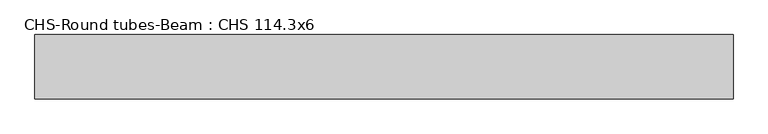
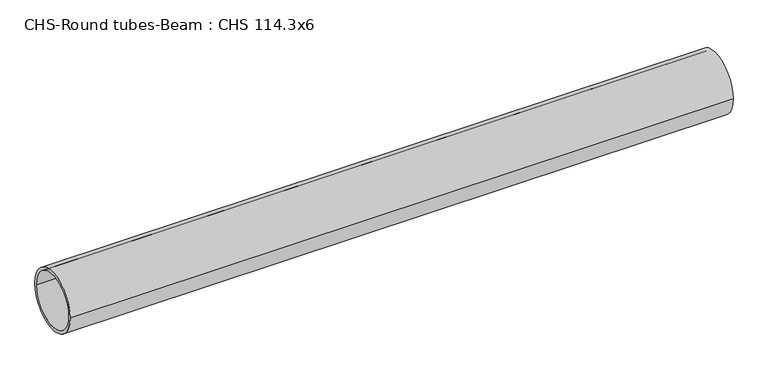
"""IFC4 building model written with IfcOpenShell, lengths in millimetres: beam geometry, CHS-Round tubes-Beam : CHS 114.3x6."""

from ifc_helpers import new_model, si_unit, point, frame, origin, origin_2d, place, context, project, spatial, circle_curve, trimmed, segment, composite_curve, outline, extrude, source, transform, mapped, element, save


def chs_round_tubes_beam_chs_114_3x6_330454a3(model_context):
    return source(origin(), model_context, "Body", "SweptSolid", [
        extrude(outline(composite_curve([segment(trimmed(circle_curve(origin_2d(), 57.15), [point((57.15, 0.0))], [point((-57.15, 0.0))], False, "CARTESIAN"), True, "CONTINUOUS"), segment(trimmed(circle_curve(origin_2d(), 57.15), [point((-57.15, 0.0))], [point((57.15, 0.0))], False, "CARTESIAN"), True, "CONTINUOUS")], self_intersect=False), holes=[composite_curve([segment(trimmed(circle_curve(origin_2d(), 51.15), [point((51.15, 0.0))], [point((-51.15, 0.0))], True, "CARTESIAN"), True, "CONTINUOUS"), segment(trimmed(circle_curve(origin_2d(), 51.15), [point((-51.15, 0.0))], [point((51.15, 0.0))], True, "CARTESIAN"), True, "CONTINUOUS")], self_intersect=False)]), frame((-617.2001931, 0.0, 0.0), z_axis=(1.0, 0.0, 0.0), x_axis=(0.0, 1.0, 0.0)), (0.0, 0.0, 1.0), 1237.2461248),
    ])


if __name__ == "__main__":
    model = new_model("IFC4")
    model_context = context("Model", 3, world=origin())
    ifc_project = project(units=[si_unit("LENGTHUNIT", "METRE", prefix="MILLI")], contexts=[model_context])
    site = spatial("IfcSite", under=ifc_project)
    building = spatial("IfcBuilding", under=site)
    placement = place(None, origin())
    chs_round_tubes_beam_chs_114_3x6_shape = chs_round_tubes_beam_chs_114_3x6_330454a3(model_context)
    element("IfcBeam", 1, ObjectType="CHS-Round tubes-Beam : CHS 114.3x6", at=placement, inside=building, context=model_context, shape_type="MappedRepresentation", body=[
        mapped(chs_round_tubes_beam_chs_114_3x6_shape, transform((0.0, 0.0, 0.0), x_axis=(1.0, 0.0, 0.0), y_axis=(0.0, 1.0, 0.0), z_axis=(0.0, 0.0, 1.0))),
    ])
    save(model, "model.ifc")
